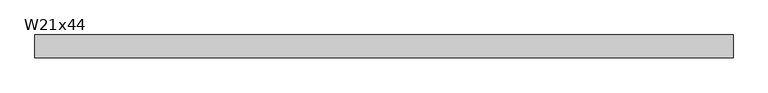
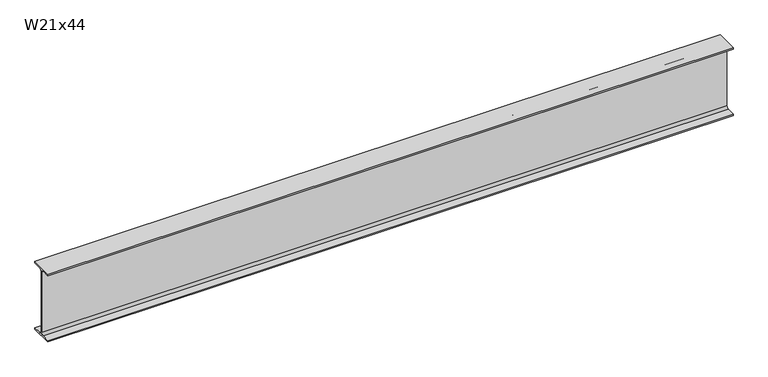
"""IFC4 building model written with IfcOpenShell, lengths in millimetres: beam geometry, W21x44."""

from ifc_helpers import new_model, si_unit, point, frame, frame_2d, origin, place, context, project, spatial, polyline, circle_curve, trimmed, segment, composite_curve, outline, extrude, source, transform, mapped, element, save


def w21x44_591b2439(model_context):
    return source(origin(), model_context, "Body", "SweptSolid", [
        extrude(outline(composite_curve([segment(polyline([(82.55, -251.46), (82.55, -262.89), (-82.55, -262.89), (-82.55, -251.46), (-21.59, -251.46)]), True, "CONTINUOUS"), segment(trimmed(circle_curve(frame_2d((-21.59, -234.315)), 17.145), [point((-21.59, -251.46))], [point((-4.445, -234.315))], True, "CARTESIAN"), True, "CONTINUOUS"), segment(polyline([(-4.445, -234.315), (-4.445, 234.315)]), True, "CONTINUOUS"), segment(trimmed(circle_curve(frame_2d((-21.59, 234.315)), 17.145), [point((-4.445, 234.315))], [point((-21.59, 251.46))], True, "CARTESIAN"), True, "CONTINUOUS"), segment(polyline([(-21.59, 251.46), (-82.55, 251.46), (-82.55, 262.89), (82.55, 262.89), (82.55, 251.46), (21.59, 251.46)]), True, "CONTINUOUS"), segment(trimmed(circle_curve(frame_2d((21.59, 234.315)), 17.145), [point((21.59, 251.46))], [point((4.445, 234.315))], True, "CARTESIAN"), True, "CONTINUOUS"), segment(polyline([(4.445, 234.315), (4.445, -234.315)]), True, "CONTINUOUS"), segment(trimmed(circle_curve(frame_2d((21.59, -234.315)), 17.145), [point((4.445, -234.315))], [point((21.59, -251.46))], True, "CARTESIAN"), True, "CONTINUOUS"), segment(polyline([(21.59, -251.46), (82.55, -251.46)]), True, "CONTINUOUS")], self_intersect=False)), frame((-2514.6, 0.0, 0.0), z_axis=(1.0, 0.0, 0.0), x_axis=(0.0, 1.0, 0.0)), (0.0, 0.0, 1.0), 5029.2),
    ])


if __name__ == "__main__":
    model = new_model("IFC4")
    model_context = context("Model", 3, world=origin())
    ifc_project = project(units=[si_unit("LENGTHUNIT", "METRE", prefix="MILLI")], contexts=[model_context])
    site = spatial("IfcSite", under=ifc_project)
    building = spatial("IfcBuilding", under=site)
    placement = place(None, origin())
    w21x44_shape = w21x44_591b2439(model_context)
    element("IfcBeam", 1, ObjectType="W21x44", at=placement, inside=building, context=model_context, shape_type="MappedRepresentation", body=[
        mapped(w21x44_shape, transform((0.0, 0.0, 0.0), x_axis=(1.0, 0.0, 0.0), y_axis=(0.0, 1.0, 0.0), z_axis=(0.0, 0.0, 1.0))),
    ])
    save(model, "model.ifc")
